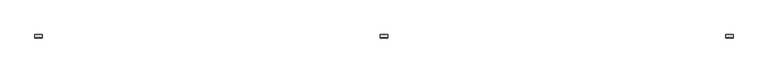
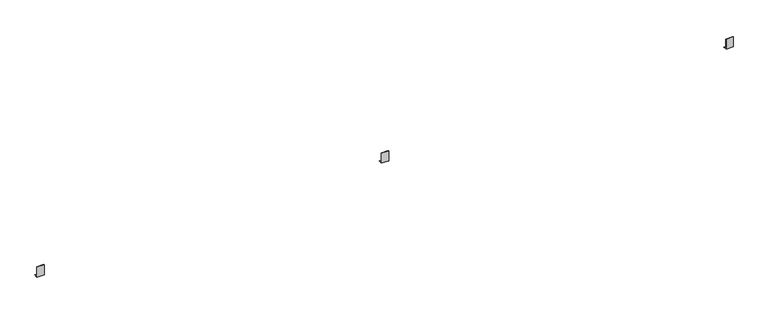
"""IFC4 building model written with IfcOpenShell, lengths in millimetres: proxy geometry."""

from ifc_helpers import new_model, si_unit, frame, origin, place, context, project, spatial, polyline, outline, extrude, source, transform, mapped, element, save


def generic_models_4ad3b3f6(model_context):
    return source(origin(), model_context, "Body", "SweptSolid", [
        extrude(outline(polyline([(-17.5, 120.0), (-14.5, 120.0), (-14.5, 3.0), (22.5, 3.0), (22.5, 0.0), (-17.5, 0.0), (-17.5, 120.0)])), frame((3960.0, 0.0, 0.0), z_axis=(1.0, 0.0, 0.0), x_axis=(0.0, 1.0, 0.0)), (0.0, 0.0, 1.0), 80.0),
        extrude(outline(polyline([(-17.5, 120.0), (-14.5, 120.0), (-14.5, 3.0), (22.5, 3.0), (22.5, 0.0), (-17.5, 0.0), (-17.5, 120.0)])), frame((7855.0, 0.0, 0.0), z_axis=(1.0, 0.0, 0.0), x_axis=(0.0, 1.0, 0.0)), (0.0, 0.0, 1.0), 80.0),
        extrude(outline(polyline([(-17.5, 120.0), (-14.5, 120.0), (-14.5, 3.0), (22.5, 3.0), (22.5, 0.0), (-17.5, 0.0), (-17.5, 120.0)])), frame((65.0, 0.0, 0.0), z_axis=(1.0, 0.0, 0.0), x_axis=(0.0, 1.0, 0.0)), (0.0, 0.0, 1.0), 80.0),
    ])


if __name__ == "__main__":
    model = new_model("IFC4")
    model_context = context("Model", 3, world=origin())
    ifc_project = project(units=[si_unit("LENGTHUNIT", "METRE", prefix="MILLI")], contexts=[model_context])
    site = spatial("IfcSite", under=ifc_project)
    building = spatial("IfcBuilding", under=site)
    placement = place(None, origin())
    generic_models_shape = generic_models_4ad3b3f6(model_context)
    element("IfcBuildingElementProxy", 1, Name="Generic Models", at=placement, inside=building, context=model_context, shape_type="MappedRepresentation", body=[
        mapped(generic_models_shape, transform((0.0, 0.0, 0.0), x_axis=(1.0, 0.0, 0.0), y_axis=(0.0, 1.0, 0.0), z_axis=(0.0, 0.0, 1.0))),
    ])
    save(model, "model.ifc")
